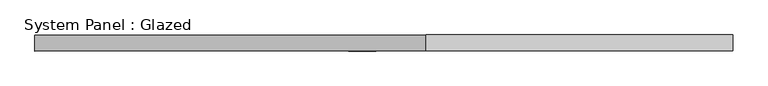
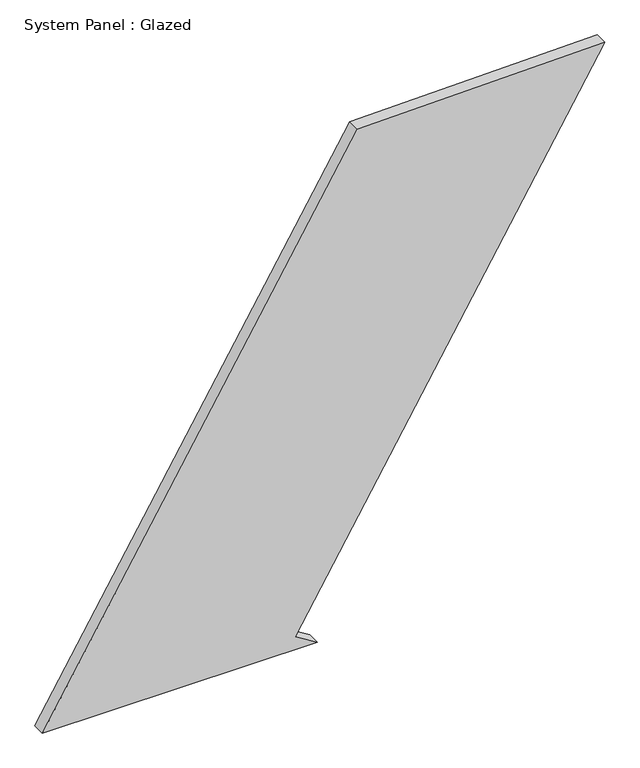
"""IFC4 building model written with IfcOpenShell, lengths in millimetres: plate geometry, System Panel : Glazed."""

from ifc_helpers import new_model, si_unit, frame, origin, place, context, project, spatial, polyline, outline, extrude, source, transform, mapped, element, save


def system_panel_glazed_0a7f427b(model_context):
    return source(origin(), model_context, "Body", "SweptSolid", [
        extrude(outline(polyline([(0.0, -543.3915538), (0.0, -11.8286812), (25.5638138, -54.7995018), (1031.0773368, 543.3915538), (1020.5520114, 65.5109509), (0.0, -543.3915538)])), frame((0.0, -49.5, 0.0), z_axis=(0.0, 1.0, 0.0), x_axis=(0.0, 0.0, 1.0)), (0.0, 0.0, 1.0), 25.0),
    ])


if __name__ == "__main__":
    model = new_model("IFC4")
    model_context = context("Model", 3, world=origin())
    ifc_project = project(units=[si_unit("LENGTHUNIT", "METRE", prefix="MILLI")], contexts=[model_context])
    site = spatial("IfcSite", under=ifc_project)
    building = spatial("IfcBuilding", under=site)
    placement = place(None, origin())
    system_panel_glazed_shape = system_panel_glazed_0a7f427b(model_context)
    element("IfcPlate", 1, ObjectType="System Panel : Glazed", at=placement, inside=building, context=model_context, shape_type="MappedRepresentation", body=[
        mapped(system_panel_glazed_shape, transform((0.0, 0.0, 0.0), x_axis=(1.0, 0.0, 0.0), y_axis=(0.0, 1.0, 0.0), z_axis=(0.0, 0.0, 1.0))),
    ])
    save(model, "model.ifc")
